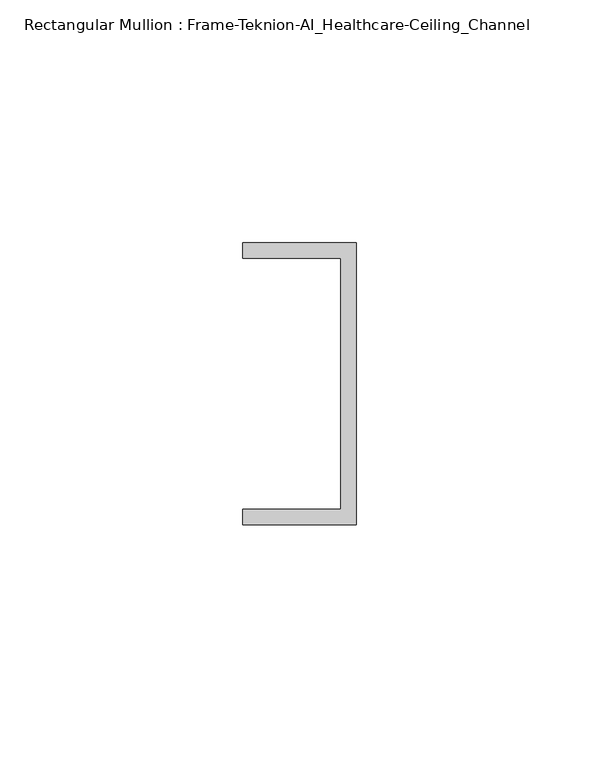
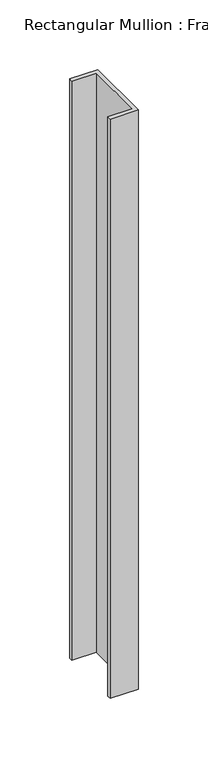
"""IFC4 building model written with IfcOpenShell, lengths in millimetres: member geometry, Rectangular Mullion : Frame-Teknion-AI_Healthcare-Ceiling_Channel."""

import ifcopenshell
import ifcopenshell.guid

model = None  # the IFC model being written
_history = None  # IfcOwnerHistory: only IFC2X3 demands one
_inside = {}  # id of a spatial element -> (the spatial element, [elements in it])
_under = {}  # id of a project, library or spatial element -> (it, [spatial elements below it])
_declared = {}  # id of a project -> (the project, [libraries it declares])
_typed = {}  # id of a type object -> (the type object, [elements of that type])
_made_of = {}  # id of a material, layer set ... -> (it, [elements and type objects made of it])


def new_model(schema):
    """Start an empty IFC model of exactly this schema.

    Asked for "IFC4X3", IfcOpenShell would pick the latest addendum, in which some entities
    have other attributes; the version numbers below select the first issue.
    IFC2X3 requires an IfcOwnerHistory on every rooted entity: one is made here for all.
    """
    global model, _history
    if schema == "IFC4X3":
        model = ifcopenshell.file(schema_version=(4, 3, 0, 0))
    else:
        model = ifcopenshell.file(schema=schema)
    _inside.clear()
    _under.clear()
    _declared.clear()
    _typed.clear()
    _made_of.clear()
    _history = None
    if model.schema == "IFC2X3":
        org = make("IfcOrganization", Name="unknown")
        user = make(
            "IfcPersonAndOrganization",
            ThePerson=make("IfcPerson", FamilyName="unknown"),
            TheOrganization=org,
        )
        app = make(
            "IfcApplication",
            ApplicationDeveloper=org,
            Version="unknown",
            ApplicationFullName="unknown",
            ApplicationIdentifier="unknown",
        )
        _history = make(
            "IfcOwnerHistory",
            OwningUser=user,
            OwningApplication=app,
            ChangeAction="ADDED",
            CreationDate=0,
        )
    return model


def make(cls, **values):
    """One entity of the class cls with the attributes given. An attribute that is None is left unset."""
    return model.create_entity(
        cls, **{name: value for name, value in values.items() if value is not None}
    )


def rooted(cls, **values):
    """An entity with a GlobalId (a new one), such as an element, a storey or a relation."""
    return make(cls, GlobalId=ifcopenshell.guid.new(), OwnerHistory=_history, **values)


def si_unit(unit_type, name, prefix=None):
    """IfcSIUnit, for example si_unit("LENGTHUNIT", "METRE", prefix="MILLI")."""
    return make("IfcSIUnit", UnitType=unit_type, Prefix=prefix, Name=name)


def assignment(units):
    """IfcUnitAssignment: the units of a project."""
    return None if units is None else make("IfcUnitAssignment", Units=units)


def point(xyz):
    """IfcCartesianPoint."""
    return None if xyz is None else make("IfcCartesianPoint", Coordinates=xyz)


def direction(xyz):
    """IfcDirection."""
    return None if xyz is None else make("IfcDirection", DirectionRatios=xyz)


def frame(location, z_axis=None, x_axis=None):
    """IfcAxis2Placement3D, a coordinate frame: its origin and axes. An axis left out is left unset."""
    return make(
        "IfcAxis2Placement3D",
        Location=point(location),
        Axis=direction(z_axis),
        RefDirection=direction(x_axis),
    )


def origin():
    """The frame at (0, 0, 0) with its axes left unset."""
    return frame((0.0, 0.0, 0.0))


def place(relative_to, where):
    """IfcLocalPlacement: puts the frame where relative to a parent placement (None: the world)."""
    return make(
        "IfcLocalPlacement", PlacementRelTo=relative_to, RelativePlacement=where
    )


def context(
    kind, dimensions, precision=None, world=None, true_north=None, identifier=None
):
    """IfcGeometricRepresentationContext, for example the 3D "Model" context."""
    return make(
        "IfcGeometricRepresentationContext",
        ContextIdentifier=identifier,
        ContextType=kind,
        CoordinateSpaceDimension=dimensions,
        Precision=precision,
        WorldCoordinateSystem=world,
        TrueNorth=true_north,
    )


def project(units=None, contexts=None):
    """IfcProject with its units and contexts."""
    return rooted(
        "IfcProject",
        Name="project",
        RepresentationContexts=contexts,
        UnitsInContext=assignment(units),
    )


def spatial(cls, under=None, at=None, **own):
    """A site, building, storey or space (cls), placed at a placement, below another one or the project."""
    s = rooted(cls, ObjectPlacement=at, **own)
    if under is not None:
        _under.setdefault(under.id(), (under, []))[1].append(s)
    return s


def polyline(points):
    """IfcPolyline through the points."""
    return make("IfcPolyline", Points=[point(p) for p in points])


def outline(outer, holes=None, kind="AREA"):
    """IfcArbitraryClosedProfileDef: a profile drawn as a closed curve; with holes, ...WithVoids."""
    if holes is None:
        return make("IfcArbitraryClosedProfileDef", ProfileType=kind, OuterCurve=outer)
    return make(
        "IfcArbitraryProfileDefWithVoids",
        ProfileType=kind,
        OuterCurve=outer,
        InnerCurves=holes,
    )


def extrude(swept, where, along, depth):
    """IfcExtrudedAreaSolid: the profile swept, set in the frame where, extruded along a direction by depth."""
    return make(
        "IfcExtrudedAreaSolid",
        SweptArea=swept,
        Position=where,
        ExtrudedDirection=direction(along),
        Depth=depth,
    )


def shape(context_of_items, identifier, shape_type, items):
    """IfcShapeRepresentation: the items that make up one representation, for example the "Body"."""
    return make(
        "IfcShapeRepresentation",
        ContextOfItems=context_of_items,
        RepresentationIdentifier=identifier,
        RepresentationType=shape_type,
        Items=items,
    )


def source(mapping_origin, context_of_items, identifier, shape_type, items):
    """IfcRepresentationMap: a shape defined once, which mapped items show again and again."""
    return make(
        "IfcRepresentationMap",
        MappingOrigin=mapping_origin,
        MappedRepresentation=shape(context_of_items, identifier, shape_type, items),
    )


def transform(
    local_origin,
    x_axis=None,
    y_axis=None,
    z_axis=None,
    scale=None,
    scale2=None,
    scale3=None,
    uniform=True,
):
    """IfcCartesianTransformationOperator3D, or its non-uniform kind. x_axis, y_axis, z_axis: its Axis1, 2, 3."""
    if uniform:
        return make(
            "IfcCartesianTransformationOperator3D",
            Axis1=direction(x_axis),
            Axis2=direction(y_axis),
            LocalOrigin=point(local_origin),
            Scale=scale,
            Axis3=direction(z_axis),
        )
    return make(
        "IfcCartesianTransformationOperator3DnonUniform",
        Axis1=direction(x_axis),
        Axis2=direction(y_axis),
        LocalOrigin=point(local_origin),
        Scale=scale,
        Axis3=direction(z_axis),
        Scale2=scale2,
        Scale3=scale3,
    )


def mapped(mapping_source, mapping_target):
    """IfcMappedItem: shows the shape of a source again, moved by a transform."""
    return make(
        "IfcMappedItem", MappingSource=mapping_source, MappingTarget=mapping_target
    )


def made_of(thing, what):
    """Note that an element or type object is made of a material, layer set ...; save() writes the relation."""
    if what is not None:
        _made_of.setdefault(what.id(), (what, []))[1].append(thing)
    return thing


def element(
    cls,
    number,
    at=None,
    inside=None,
    cuts=None,
    type_object=None,
    material=None,
    context=None,
    identifier="Body",
    shape_type=None,
    held_by="IfcProductDefinitionShape",
    body=None,
    shapes=None,
    **own,
):
    """One element of the class cls, such as IfcWall. Its Tag is "e" and its number.

    at: its placement. inside: the storey or other place that contains it. cuts: it is an
    opening in that element (IfcRelVoidsElement). A single representation is given by context,
    identifier, shape_type and body (its items); several are given by shapes. held_by: the class
    of the entity that holds the representations. save() writes the other relations.
    """
    e = rooted(cls, Tag="e%d" % number, ObjectPlacement=at, **own)
    if body is not None:
        shapes = [shape(context, identifier, shape_type, body)]
    if shapes is not None:
        e.Representation = make(held_by, Representations=shapes)
    if inside is not None:
        _inside.setdefault(inside.id(), (inside, []))[1].append(e)
    if cuts is not None:
        rooted(
            "IfcRelVoidsElement", RelatingBuildingElement=cuts, RelatedOpeningElement=e
        )
    if type_object is not None:
        _typed.setdefault(type_object.id(), (type_object, []))[1].append(e)
    return made_of(e, material)


def aggregate(whole, parts):
    """IfcRelAggregates: a whole, such as a stair, and the parts it consists of."""
    return rooted("IfcRelAggregates", RelatingObject=whole, RelatedObjects=parts)


def save(model, path):
    """Write the relations noted so far, then the file.

    IfcRelAggregates (storeys below a building ...), IfcRelContainedInSpatialStructure (elements
    in a storey), IfcRelDefinesByType, IfcRelAssociatesMaterial and IfcRelDeclares: one each for
    every whole, place, type object, material and project.
    """
    for whole, parts in _under.values():
        aggregate(whole, parts)
    for where, things in _inside.values():
        rooted(
            "IfcRelContainedInSpatialStructure",
            RelatedElements=things,
            RelatingStructure=where,
        )
    for kind, things in _typed.values():
        rooted("IfcRelDefinesByType", RelatedObjects=things, RelatingType=kind)
    for what, things in _made_of.values():
        rooted("IfcRelAssociatesMaterial", RelatedObjects=things, RelatingMaterial=what)
    for by, libraries in _declared.values():
        rooted("IfcRelDeclares", RelatingContext=by, RelatedDefinitions=libraries)
    model.write(path)


def rectangular_mullion_frame_teknion_ai_healthcare_ceiling_5f9380cf(model_context):
    return source(origin(), model_context, "Body", "SweptSolid", [
        extrude(outline(polyline([(0.0, 29.0214844), (0.0, -29.0214844), (-23.3164063, -29.0214844), (-23.3164063, -25.8464844), (-3.175, -25.8464844), (-3.175, 25.8464844), (-23.3164063, 25.8464844), (-23.3164063, 29.0214844), (0.0, 29.0214844)])), frame((0.0, 0.0, -508.0), z_axis=(0.0, 0.0, 1.0), x_axis=(1.0, 0.0, 0.0)), (0.0, 0.0, 1.0), 508.0),
    ])


if __name__ == "__main__":
    model = new_model("IFC4")
    model_context = context("Model", 3, world=origin())
    ifc_project = project(units=[si_unit("LENGTHUNIT", "METRE", prefix="MILLI")], contexts=[model_context])
    site = spatial("IfcSite", under=ifc_project)
    building = spatial("IfcBuilding", under=site)
    placement = place(None, origin())
    rectangular_mullion_frame_teknion_ai_healthcare_ceiling_shape = rectangular_mullion_frame_teknion_ai_healthcare_ceiling_5f9380cf(model_context)
    element("IfcMember", 1, ObjectType="Rectangular Mullion : Frame-Teknion-AI_Healthcare-Ceiling_Channel", at=placement, inside=building, context=model_context, shape_type="MappedRepresentation", body=[
        mapped(rectangular_mullion_frame_teknion_ai_healthcare_ceiling_shape, transform((0.0, 0.0, 0.0), x_axis=(1.0, 0.0, 0.0), y_axis=(0.0, 1.0, 0.0), z_axis=(0.0, 0.0, 1.0))),
    ])
    save(model, "model.ifc")
